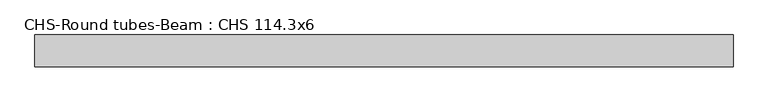
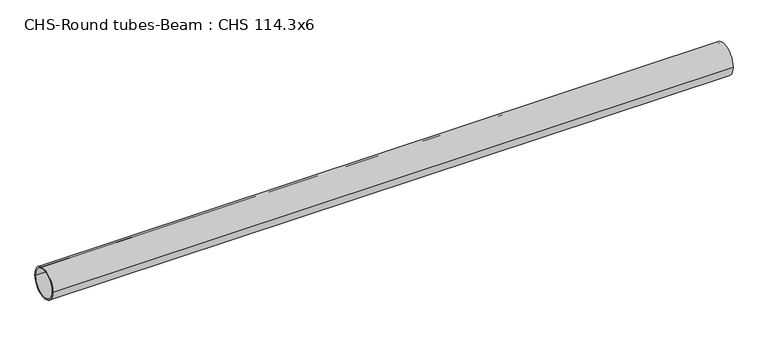
"""IFC4 building model written with IfcOpenShell, lengths in millimetres: beam geometry, CHS-Round tubes-Beam : CHS 114.3x6."""

import ifcopenshell
import ifcopenshell.guid

model = None  # the IFC model being written
_history = None  # IfcOwnerHistory: only IFC2X3 demands one
_inside = {}  # id of a spatial element -> (the spatial element, [elements in it])
_under = {}  # id of a project, library or spatial element -> (it, [spatial elements below it])
_declared = {}  # id of a project -> (the project, [libraries it declares])
_typed = {}  # id of a type object -> (the type object, [elements of that type])
_made_of = {}  # id of a material, layer set ... -> (it, [elements and type objects made of it])


def new_model(schema):
    """Start an empty IFC model of exactly this schema.

    Asked for "IFC4X3", IfcOpenShell would pick the latest addendum, in which some entities
    have other attributes; the version numbers below select the first issue.
    IFC2X3 requires an IfcOwnerHistory on every rooted entity: one is made here for all.
    """
    global model, _history
    if schema == "IFC4X3":
        model = ifcopenshell.file(schema_version=(4, 3, 0, 0))
    else:
        model = ifcopenshell.file(schema=schema)
    _inside.clear()
    _under.clear()
    _declared.clear()
    _typed.clear()
    _made_of.clear()
    _history = None
    if model.schema == "IFC2X3":
        org = make("IfcOrganization", Name="unknown")
        user = make(
            "IfcPersonAndOrganization",
            ThePerson=make("IfcPerson", FamilyName="unknown"),
            TheOrganization=org,
        )
        app = make(
            "IfcApplication",
            ApplicationDeveloper=org,
            Version="unknown",
            ApplicationFullName="unknown",
            ApplicationIdentifier="unknown",
        )
        _history = make(
            "IfcOwnerHistory",
            OwningUser=user,
            OwningApplication=app,
            ChangeAction="ADDED",
            CreationDate=0,
        )
    return model


def make(cls, **values):
    """One entity of the class cls with the attributes given. An attribute that is None is left unset."""
    return model.create_entity(
        cls, **{name: value for name, value in values.items() if value is not None}
    )


def rooted(cls, **values):
    """An entity with a GlobalId (a new one), such as an element, a storey or a relation."""
    return make(cls, GlobalId=ifcopenshell.guid.new(), OwnerHistory=_history, **values)


def si_unit(unit_type, name, prefix=None):
    """IfcSIUnit, for example si_unit("LENGTHUNIT", "METRE", prefix="MILLI")."""
    return make("IfcSIUnit", UnitType=unit_type, Prefix=prefix, Name=name)


def assignment(units):
    """IfcUnitAssignment: the units of a project."""
    return None if units is None else make("IfcUnitAssignment", Units=units)


def point(xyz):
    """IfcCartesianPoint."""
    return None if xyz is None else make("IfcCartesianPoint", Coordinates=xyz)


def direction(xyz):
    """IfcDirection."""
    return None if xyz is None else make("IfcDirection", DirectionRatios=xyz)


def frame(location, z_axis=None, x_axis=None):
    """IfcAxis2Placement3D, a coordinate frame: its origin and axes. An axis left out is left unset."""
    return make(
        "IfcAxis2Placement3D",
        Location=point(location),
        Axis=direction(z_axis),
        RefDirection=direction(x_axis),
    )


def frame_2d(location, x_axis=None):
    """IfcAxis2Placement2D, a coordinate frame in the plane: its origin and x axis."""
    return make(
        "IfcAxis2Placement2D", Location=point(location), RefDirection=direction(x_axis)
    )


def origin():
    """The frame at (0, 0, 0) with its axes left unset."""
    return frame((0.0, 0.0, 0.0))


def origin_2d():
    """The frame at (0, 0) in the plane with its x axis left unset."""
    return frame_2d((0.0, 0.0))


def place(relative_to, where):
    """IfcLocalPlacement: puts the frame where relative to a parent placement (None: the world)."""
    return make(
        "IfcLocalPlacement", PlacementRelTo=relative_to, RelativePlacement=where
    )


def context(
    kind, dimensions, precision=None, world=None, true_north=None, identifier=None
):
    """IfcGeometricRepresentationContext, for example the 3D "Model" context."""
    return make(
        "IfcGeometricRepresentationContext",
        ContextIdentifier=identifier,
        ContextType=kind,
        CoordinateSpaceDimension=dimensions,
        Precision=precision,
        WorldCoordinateSystem=world,
        TrueNorth=true_north,
    )


def project(units=None, contexts=None):
    """IfcProject with its units and contexts."""
    return rooted(
        "IfcProject",
        Name="project",
        RepresentationContexts=contexts,
        UnitsInContext=assignment(units),
    )


def spatial(cls, under=None, at=None, **own):
    """A site, building, storey or space (cls), placed at a placement, below another one or the project."""
    s = rooted(cls, ObjectPlacement=at, **own)
    if under is not None:
        _under.setdefault(under.id(), (under, []))[1].append(s)
    return s


def circle_curve(where, radius):
    """IfcCircle in the frame where."""
    return make("IfcCircle", Position=where, Radius=radius)


def trimmed(basis, trim1, trim2, sense, master):
    """IfcTrimmedCurve: the piece of a basis curve between two trims."""
    return make(
        "IfcTrimmedCurve",
        BasisCurve=basis,
        Trim1=trim1,
        Trim2=trim2,
        SenseAgreement=sense,
        MasterRepresentation=master,
    )


def segment(curve, same_sense, transition):
    """IfcCompositeCurveSegment."""
    return make(
        "IfcCompositeCurveSegment",
        Transition=transition,
        SameSense=same_sense,
        ParentCurve=curve,
    )


def composite_curve(segments, self_intersect=None):
    """IfcCompositeCurve: segments joined end to end."""
    return make("IfcCompositeCurve", Segments=segments, SelfIntersect=self_intersect)


def outline(outer, holes=None, kind="AREA"):
    """IfcArbitraryClosedProfileDef: a profile drawn as a closed curve; with holes, ...WithVoids."""
    if holes is None:
        return make("IfcArbitraryClosedProfileDef", ProfileType=kind, OuterCurve=outer)
    return make(
        "IfcArbitraryProfileDefWithVoids",
        ProfileType=kind,
        OuterCurve=outer,
        InnerCurves=holes,
    )


def extrude(swept, where, along, depth):
    """IfcExtrudedAreaSolid: the profile swept, set in the frame where, extruded along a direction by depth."""
    return make(
        "IfcExtrudedAreaSolid",
        SweptArea=swept,
        Position=where,
        ExtrudedDirection=direction(along),
        Depth=depth,
    )


def shape(context_of_items, identifier, shape_type, items):
    """IfcShapeRepresentation: the items that make up one representation, for example the "Body"."""
    return make(
        "IfcShapeRepresentation",
        ContextOfItems=context_of_items,
        RepresentationIdentifier=identifier,
        RepresentationType=shape_type,
        Items=items,
    )


def source(mapping_origin, context_of_items, identifier, shape_type, items):
    """IfcRepresentationMap: a shape defined once, which mapped items show again and again."""
    return make(
        "IfcRepresentationMap",
        MappingOrigin=mapping_origin,
        MappedRepresentation=shape(context_of_items, identifier, shape_type, items),
    )


def transform(
    local_origin,
    x_axis=None,
    y_axis=None,
    z_axis=None,
    scale=None,
    scale2=None,
    scale3=None,
    uniform=True,
):
    """IfcCartesianTransformationOperator3D, or its non-uniform kind. x_axis, y_axis, z_axis: its Axis1, 2, 3."""
    if uniform:
        return make(
            "IfcCartesianTransformationOperator3D",
            Axis1=direction(x_axis),
            Axis2=direction(y_axis),
            LocalOrigin=point(local_origin),
            Scale=scale,
            Axis3=direction(z_axis),
        )
    return make(
        "IfcCartesianTransformationOperator3DnonUniform",
        Axis1=direction(x_axis),
        Axis2=direction(y_axis),
        LocalOrigin=point(local_origin),
        Scale=scale,
        Axis3=direction(z_axis),
        Scale2=scale2,
        Scale3=scale3,
    )


def mapped(mapping_source, mapping_target):
    """IfcMappedItem: shows the shape of a source again, moved by a transform."""
    return make(
        "IfcMappedItem", MappingSource=mapping_source, MappingTarget=mapping_target
    )


def made_of(thing, what):
    """Note that an element or type object is made of a material, layer set ...; save() writes the relation."""
    if what is not None:
        _made_of.setdefault(what.id(), (what, []))[1].append(thing)
    return thing


def element(
    cls,
    number,
    at=None,
    inside=None,
    cuts=None,
    type_object=None,
    material=None,
    context=None,
    identifier="Body",
    shape_type=None,
    held_by="IfcProductDefinitionShape",
    body=None,
    shapes=None,
    **own,
):
    """One element of the class cls, such as IfcWall. Its Tag is "e" and its number.

    at: its placement. inside: the storey or other place that contains it. cuts: it is an
    opening in that element (IfcRelVoidsElement). A single representation is given by context,
    identifier, shape_type and body (its items); several are given by shapes. held_by: the class
    of the entity that holds the representations. save() writes the other relations.
    """
    e = rooted(cls, Tag="e%d" % number, ObjectPlacement=at, **own)
    if body is not None:
        shapes = [shape(context, identifier, shape_type, body)]
    if shapes is not None:
        e.Representation = make(held_by, Representations=shapes)
    if inside is not None:
        _inside.setdefault(inside.id(), (inside, []))[1].append(e)
    if cuts is not None:
        rooted(
            "IfcRelVoidsElement", RelatingBuildingElement=cuts, RelatedOpeningElement=e
        )
    if type_object is not None:
        _typed.setdefault(type_object.id(), (type_object, []))[1].append(e)
    return made_of(e, material)


def aggregate(whole, parts):
    """IfcRelAggregates: a whole, such as a stair, and the parts it consists of."""
    return rooted("IfcRelAggregates", RelatingObject=whole, RelatedObjects=parts)


def save(model, path):
    """Write the relations noted so far, then the file.

    IfcRelAggregates (storeys below a building ...), IfcRelContainedInSpatialStructure (elements
    in a storey), IfcRelDefinesByType, IfcRelAssociatesMaterial and IfcRelDeclares: one each for
    every whole, place, type object, material and project.
    """
    for whole, parts in _under.values():
        aggregate(whole, parts)
    for where, things in _inside.values():
        rooted(
            "IfcRelContainedInSpatialStructure",
            RelatedElements=things,
            RelatingStructure=where,
        )
    for kind, things in _typed.values():
        rooted("IfcRelDefinesByType", RelatedObjects=things, RelatingType=kind)
    for what, things in _made_of.values():
        rooted("IfcRelAssociatesMaterial", RelatedObjects=things, RelatingMaterial=what)
    for by, libraries in _declared.values():
        rooted("IfcRelDeclares", RelatingContext=by, RelatedDefinitions=libraries)
    model.write(path)


def chs_round_tubes_beam_chs_114_3x6_c9ecbb08(model_context):
    return source(origin(), model_context, "Body", "SweptSolid", [
        extrude(outline(composite_curve([segment(trimmed(circle_curve(origin_2d(), 57.15), [point((57.15, 0.0))], [point((-57.15, 0.0))], False, "CARTESIAN"), True, "CONTINUOUS"), segment(trimmed(circle_curve(origin_2d(), 57.15), [point((-57.15, 0.0))], [point((57.15, 0.0))], False, "CARTESIAN"), True, "CONTINUOUS")], self_intersect=False), holes=[composite_curve([segment(trimmed(circle_curve(origin_2d(), 51.15), [point((51.15, 0.0))], [point((-51.15, 0.0))], True, "CARTESIAN"), True, "CONTINUOUS"), segment(trimmed(circle_curve(origin_2d(), 51.15), [point((-51.15, 0.0))], [point((51.15, 0.0))], True, "CARTESIAN"), True, "CONTINUOUS")], self_intersect=False)]), frame((-1217.9528422, 0.0, 0.0), z_axis=(1.0, 0.0, 0.0), x_axis=(0.0, 1.0, 0.0)), (0.0, 0.0, 1.0), 2504.1323204),
    ])


if __name__ == "__main__":
    model = new_model("IFC4")
    model_context = context("Model", 3, world=origin())
    ifc_project = project(units=[si_unit("LENGTHUNIT", "METRE", prefix="MILLI")], contexts=[model_context])
    site = spatial("IfcSite", under=ifc_project)
    building = spatial("IfcBuilding", under=site)
    placement = place(None, origin())
    chs_round_tubes_beam_chs_114_3x6_shape = chs_round_tubes_beam_chs_114_3x6_c9ecbb08(model_context)
    element("IfcBeam", 1, ObjectType="CHS-Round tubes-Beam : CHS 114.3x6", at=placement, inside=building, context=model_context, shape_type="MappedRepresentation", body=[
        mapped(chs_round_tubes_beam_chs_114_3x6_shape, transform((0.0, 0.0, 0.0), x_axis=(1.0, 0.0, 0.0), y_axis=(0.0, 1.0, 0.0), z_axis=(0.0, 0.0, 1.0))),
    ])
    save(model, "model.ifc")
